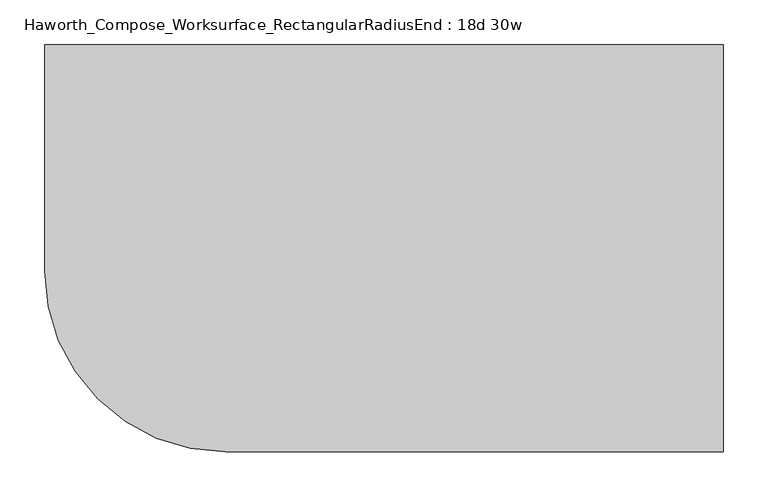
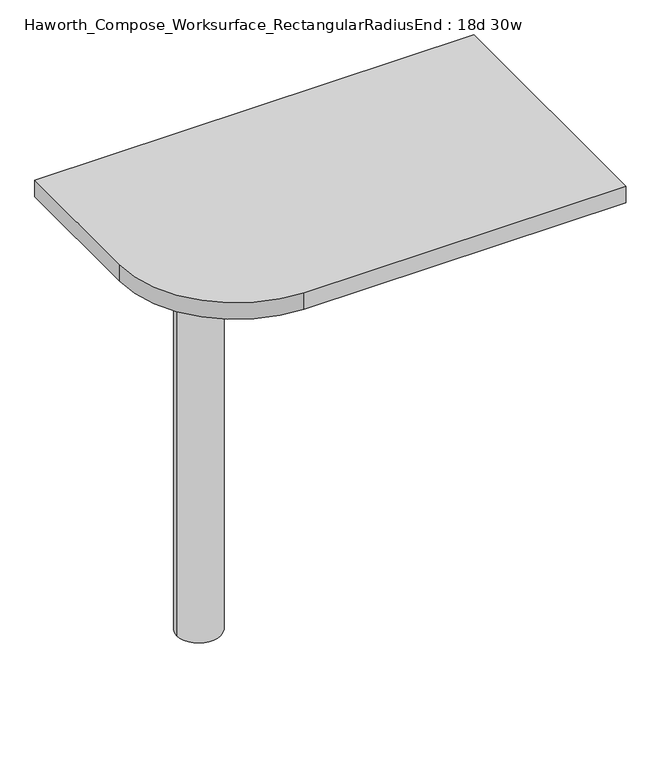
"""IFC4 building model written with IfcOpenShell, lengths in millimetres: furniture geometry, Haworth_Compose_Worksurface_RectangularRadiusEnd : 18d 30w."""

import ifcopenshell
import ifcopenshell.guid

model = None  # the IFC model being written
_history = None  # IfcOwnerHistory: only IFC2X3 demands one
_inside = {}  # id of a spatial element -> (the spatial element, [elements in it])
_under = {}  # id of a project, library or spatial element -> (it, [spatial elements below it])
_declared = {}  # id of a project -> (the project, [libraries it declares])
_typed = {}  # id of a type object -> (the type object, [elements of that type])
_made_of = {}  # id of a material, layer set ... -> (it, [elements and type objects made of it])


def new_model(schema):
    """Start an empty IFC model of exactly this schema.

    Asked for "IFC4X3", IfcOpenShell would pick the latest addendum, in which some entities
    have other attributes; the version numbers below select the first issue.
    IFC2X3 requires an IfcOwnerHistory on every rooted entity: one is made here for all.
    """
    global model, _history
    if schema == "IFC4X3":
        model = ifcopenshell.file(schema_version=(4, 3, 0, 0))
    else:
        model = ifcopenshell.file(schema=schema)
    _inside.clear()
    _under.clear()
    _declared.clear()
    _typed.clear()
    _made_of.clear()
    _history = None
    if model.schema == "IFC2X3":
        org = make("IfcOrganization", Name="unknown")
        user = make(
            "IfcPersonAndOrganization",
            ThePerson=make("IfcPerson", FamilyName="unknown"),
            TheOrganization=org,
        )
        app = make(
            "IfcApplication",
            ApplicationDeveloper=org,
            Version="unknown",
            ApplicationFullName="unknown",
            ApplicationIdentifier="unknown",
        )
        _history = make(
            "IfcOwnerHistory",
            OwningUser=user,
            OwningApplication=app,
            ChangeAction="ADDED",
            CreationDate=0,
        )
    return model


def make(cls, **values):
    """One entity of the class cls with the attributes given. An attribute that is None is left unset."""
    return model.create_entity(
        cls, **{name: value for name, value in values.items() if value is not None}
    )


def rooted(cls, **values):
    """An entity with a GlobalId (a new one), such as an element, a storey or a relation."""
    return make(cls, GlobalId=ifcopenshell.guid.new(), OwnerHistory=_history, **values)


def si_unit(unit_type, name, prefix=None):
    """IfcSIUnit, for example si_unit("LENGTHUNIT", "METRE", prefix="MILLI")."""
    return make("IfcSIUnit", UnitType=unit_type, Prefix=prefix, Name=name)


def assignment(units):
    """IfcUnitAssignment: the units of a project."""
    return None if units is None else make("IfcUnitAssignment", Units=units)


def point(xyz):
    """IfcCartesianPoint."""
    return None if xyz is None else make("IfcCartesianPoint", Coordinates=xyz)


def direction(xyz):
    """IfcDirection."""
    return None if xyz is None else make("IfcDirection", DirectionRatios=xyz)


def frame(location, z_axis=None, x_axis=None):
    """IfcAxis2Placement3D, a coordinate frame: its origin and axes. An axis left out is left unset."""
    return make(
        "IfcAxis2Placement3D",
        Location=point(location),
        Axis=direction(z_axis),
        RefDirection=direction(x_axis),
    )


def frame_2d(location, x_axis=None):
    """IfcAxis2Placement2D, a coordinate frame in the plane: its origin and x axis."""
    return make(
        "IfcAxis2Placement2D", Location=point(location), RefDirection=direction(x_axis)
    )


def origin():
    """The frame at (0, 0, 0) with its axes left unset."""
    return frame((0.0, 0.0, 0.0))


def place(relative_to, where):
    """IfcLocalPlacement: puts the frame where relative to a parent placement (None: the world)."""
    return make(
        "IfcLocalPlacement", PlacementRelTo=relative_to, RelativePlacement=where
    )


def context(
    kind, dimensions, precision=None, world=None, true_north=None, identifier=None
):
    """IfcGeometricRepresentationContext, for example the 3D "Model" context."""
    return make(
        "IfcGeometricRepresentationContext",
        ContextIdentifier=identifier,
        ContextType=kind,
        CoordinateSpaceDimension=dimensions,
        Precision=precision,
        WorldCoordinateSystem=world,
        TrueNorth=true_north,
    )


def project(units=None, contexts=None):
    """IfcProject with its units and contexts."""
    return rooted(
        "IfcProject",
        Name="project",
        RepresentationContexts=contexts,
        UnitsInContext=assignment(units),
    )


def spatial(cls, under=None, at=None, **own):
    """A site, building, storey or space (cls), placed at a placement, below another one or the project."""
    s = rooted(cls, ObjectPlacement=at, **own)
    if under is not None:
        _under.setdefault(under.id(), (under, []))[1].append(s)
    return s


def polyline(points):
    """IfcPolyline through the points."""
    return make("IfcPolyline", Points=[point(p) for p in points])


def circle_curve(where, radius):
    """IfcCircle in the frame where."""
    return make("IfcCircle", Position=where, Radius=radius)


def trimmed(basis, trim1, trim2, sense, master):
    """IfcTrimmedCurve: the piece of a basis curve between two trims."""
    return make(
        "IfcTrimmedCurve",
        BasisCurve=basis,
        Trim1=trim1,
        Trim2=trim2,
        SenseAgreement=sense,
        MasterRepresentation=master,
    )


def segment(curve, same_sense, transition):
    """IfcCompositeCurveSegment."""
    return make(
        "IfcCompositeCurveSegment",
        Transition=transition,
        SameSense=same_sense,
        ParentCurve=curve,
    )


def composite_curve(segments, self_intersect=None):
    """IfcCompositeCurve: segments joined end to end."""
    return make("IfcCompositeCurve", Segments=segments, SelfIntersect=self_intersect)


def outline(outer, holes=None, kind="AREA"):
    """IfcArbitraryClosedProfileDef: a profile drawn as a closed curve; with holes, ...WithVoids."""
    if holes is None:
        return make("IfcArbitraryClosedProfileDef", ProfileType=kind, OuterCurve=outer)
    return make(
        "IfcArbitraryProfileDefWithVoids",
        ProfileType=kind,
        OuterCurve=outer,
        InnerCurves=holes,
    )


def extrude(swept, where, along, depth):
    """IfcExtrudedAreaSolid: the profile swept, set in the frame where, extruded along a direction by depth."""
    return make(
        "IfcExtrudedAreaSolid",
        SweptArea=swept,
        Position=where,
        ExtrudedDirection=direction(along),
        Depth=depth,
    )


def shape(context_of_items, identifier, shape_type, items):
    """IfcShapeRepresentation: the items that make up one representation, for example the "Body"."""
    return make(
        "IfcShapeRepresentation",
        ContextOfItems=context_of_items,
        RepresentationIdentifier=identifier,
        RepresentationType=shape_type,
        Items=items,
    )


def source(mapping_origin, context_of_items, identifier, shape_type, items):
    """IfcRepresentationMap: a shape defined once, which mapped items show again and again."""
    return make(
        "IfcRepresentationMap",
        MappingOrigin=mapping_origin,
        MappedRepresentation=shape(context_of_items, identifier, shape_type, items),
    )


def transform(
    local_origin,
    x_axis=None,
    y_axis=None,
    z_axis=None,
    scale=None,
    scale2=None,
    scale3=None,
    uniform=True,
):
    """IfcCartesianTransformationOperator3D, or its non-uniform kind. x_axis, y_axis, z_axis: its Axis1, 2, 3."""
    if uniform:
        return make(
            "IfcCartesianTransformationOperator3D",
            Axis1=direction(x_axis),
            Axis2=direction(y_axis),
            LocalOrigin=point(local_origin),
            Scale=scale,
            Axis3=direction(z_axis),
        )
    return make(
        "IfcCartesianTransformationOperator3DnonUniform",
        Axis1=direction(x_axis),
        Axis2=direction(y_axis),
        LocalOrigin=point(local_origin),
        Scale=scale,
        Axis3=direction(z_axis),
        Scale2=scale2,
        Scale3=scale3,
    )


def mapped(mapping_source, mapping_target):
    """IfcMappedItem: shows the shape of a source again, moved by a transform."""
    return make(
        "IfcMappedItem", MappingSource=mapping_source, MappingTarget=mapping_target
    )


def made_of(thing, what):
    """Note that an element or type object is made of a material, layer set ...; save() writes the relation."""
    if what is not None:
        _made_of.setdefault(what.id(), (what, []))[1].append(thing)
    return thing


def element(
    cls,
    number,
    at=None,
    inside=None,
    cuts=None,
    type_object=None,
    material=None,
    context=None,
    identifier="Body",
    shape_type=None,
    held_by="IfcProductDefinitionShape",
    body=None,
    shapes=None,
    **own,
):
    """One element of the class cls, such as IfcWall. Its Tag is "e" and its number.

    at: its placement. inside: the storey or other place that contains it. cuts: it is an
    opening in that element (IfcRelVoidsElement). A single representation is given by context,
    identifier, shape_type and body (its items); several are given by shapes. held_by: the class
    of the entity that holds the representations. save() writes the other relations.
    """
    e = rooted(cls, Tag="e%d" % number, ObjectPlacement=at, **own)
    if body is not None:
        shapes = [shape(context, identifier, shape_type, body)]
    if shapes is not None:
        e.Representation = make(held_by, Representations=shapes)
    if inside is not None:
        _inside.setdefault(inside.id(), (inside, []))[1].append(e)
    if cuts is not None:
        rooted(
            "IfcRelVoidsElement", RelatingBuildingElement=cuts, RelatedOpeningElement=e
        )
    if type_object is not None:
        _typed.setdefault(type_object.id(), (type_object, []))[1].append(e)
    return made_of(e, material)


def aggregate(whole, parts):
    """IfcRelAggregates: a whole, such as a stair, and the parts it consists of."""
    return rooted("IfcRelAggregates", RelatingObject=whole, RelatedObjects=parts)


def save(model, path):
    """Write the relations noted so far, then the file.

    IfcRelAggregates (storeys below a building ...), IfcRelContainedInSpatialStructure (elements
    in a storey), IfcRelDefinesByType, IfcRelAssociatesMaterial and IfcRelDeclares: one each for
    every whole, place, type object, material and project.
    """
    for whole, parts in _under.values():
        aggregate(whole, parts)
    for where, things in _inside.values():
        rooted(
            "IfcRelContainedInSpatialStructure",
            RelatedElements=things,
            RelatingStructure=where,
        )
    for kind, things in _typed.values():
        rooted("IfcRelDefinesByType", RelatedObjects=things, RelatingType=kind)
    for what, things in _made_of.values():
        rooted("IfcRelAssociatesMaterial", RelatedObjects=things, RelatingMaterial=what)
    for by, libraries in _declared.values():
        rooted("IfcRelDeclares", RelatingContext=by, RelatedDefinitions=libraries)
    model.write(path)


def plane_surface(at):
    """IfcPlane: the flat surface through the origin of the frame at, square to its z axis."""
    return make("IfcPlane", Position=at)


def cylinder_surface(at, radius):
    """IfcCylindricalSurface: all points at the distance radius from the z axis of the frame at."""
    return make("IfcCylindricalSurface", Position=at, Radius=radius)


def revolved_surface(curve, axis_point, axis_direction):
    """IfcSurfaceOfRevolution: the curve turned about the line through axis_point along axis_direction."""
    return make(
        "IfcSurfaceOfRevolution",
        SweptCurve=make("IfcArbitraryOpenProfileDef", ProfileType="CURVE", Curve=curve),
        AxisPosition=make("IfcAxis1Placement", Location=point(axis_point), Axis=direction(axis_direction)),
    )


def advanced_brep(points, edges, surfaces, faces):
    """IfcAdvancedBrep: a solid bounded by faces that lie on surfaces and meet in shared edges.

    An edge is (start, end): straight between two places in points (the first is 0);
    or (start, end, curve); or (start, end, curve, False) where it runs against its curve.
    A face is (place in surfaces, loops), or (place, loops, False) where it looks against
    its surface's normal. A loop lists edges by number (the first is 1), with a minus sign
    where the edge is run from its end to its start. The first loop is the outer one.
    """
    corners = [point(p) for p in points]
    vertices = [make("IfcVertexPoint", VertexGeometry=c) for c in corners]
    made = []
    for start, end, *more in edges:
        made.append(
            make(
                "IfcEdgeCurve",
                EdgeStart=vertices[start],
                EdgeEnd=vertices[end],
                EdgeGeometry=more[0] if more else make("IfcPolyline", Points=[corners[start], corners[end]]),
                SameSense=more[1] if len(more) > 1 else True,
            )
        )
    hull = []
    for where, loops, *sense in faces:
        bounds = []
        for j, loop in enumerate(loops):
            ring = [make("IfcOrientedEdge", EdgeElement=made[abs(k) - 1], Orientation=k > 0) for k in loop]
            bounds.append(
                make(
                    "IfcFaceOuterBound" if j == 0 else "IfcFaceBound",
                    Bound=make("IfcEdgeLoop", EdgeList=ring),
                    Orientation=True,
                )
            )
        hull.append(make("IfcAdvancedFace", Bounds=bounds, FaceSurface=surfaces[where], SameSense=sense[0] if sense else True))
    return make("IfcAdvancedBrep", Outer=make("IfcClosedShell", CfsFaces=hull))


def haworth_compose_worksurface_rectangularradiusend_18d_30w_f2bbd292(model_context):
    return source(origin(), model_context, "Body", "SolidModel", [
        advanced_brep(
        [(375.44375, 228.6, 475.45625), (375.44375, 212.725, 475.45625), (375.44375, -177.8, 691.7192568), (375.44375, -177.8, 704.05625), (375.44375, 212.725, 704.05625), (375.44375, 228.6, 704.05625), (375.44375, 145.290072, 665.95625), (375.44375, 101.6355284, 665.95625), (375.44375, 98.9564235, 656.3705539), (375.44375, 190.6776173, 605.5776439), (375.44375, 200.025, 611.1756969), (375.44375, 200.025, 634.6860246), (375.44375, 198.2730055, 637.5242776), (375.44375, 148.3663437, 665.1613425), (377.825, 228.6, 475.45625), (377.825, 228.6, 704.05625), (377.825, 212.725, 704.05625), (377.825, 212.725, 706.4375), (377.825, -177.8, 706.4375), (377.825, -177.8, 691.7192568), (377.825, 212.725, 475.45625), (377.825, 145.290072, 665.95625), (377.825, 148.3663437, 665.1613425), (377.825, 198.2730055, 637.5242776), (377.825, 200.025, 634.6860246), (377.825, 200.025, 611.1756969), (377.825, 190.6776173, 605.5776439), (377.825, 98.9564235, 656.3705539), (377.825, 101.6355284, 665.95625), (336.55, -177.8, 706.4375), (336.55, -177.8, 704.05625), (336.55, 212.725, 704.05625), (336.55, 212.725, 706.4375)],
        [
            (0, 1),
            (1, 2),
            (2, 3),
            (3, 4),
            (4, 5),
            (5, 0),
            (6, 7),
            (7, 8, circle_curve(frame((375.44375, 101.6355284, 660.7890106), z_axis=(1.0, 0.0, 0.0), x_axis=(0.0, -1.0, 0.0)), 5.1672394)),
            (8, 9),
            (9, 10, circle_curve(frame((375.44375, 193.675, 611.1756969), z_axis=(1.0, 0.0, 0.0), x_axis=(0.0, -1.0, 0.0)), 6.35)),
            (10, 11),
            (11, 12, circle_curve(frame((375.44375, 196.85, 634.6860246), z_axis=(1.0, 0.0, 0.0), x_axis=(0.0, -1.0, 0.0)), 3.175)),
            (12, 13),
            (13, 6, circle_curve(frame((375.44375, 145.290072, 659.60625), z_axis=(1.0, 0.0, 0.0), x_axis=(0.0, -1.0, 0.0)), 6.35)),
            (14, 15),
            (15, 16),
            (16, 17),
            (17, 18),
            (18, 19),
            (19, 20),
            (20, 14),
            (21, 22, circle_curve(frame((377.825, 145.290072, 659.60625), z_axis=(-1.0, 0.0, 0.0), x_axis=(0.0, -1.0, 0.0)), 6.35)),
            (22, 23),
            (23, 24, circle_curve(frame((377.825, 196.85, 634.6860246), z_axis=(-1.0, 0.0, 0.0), x_axis=(0.0, -1.0, 0.0)), 3.175)),
            (24, 25),
            (25, 26, circle_curve(frame((377.825, 193.675, 611.1756969), z_axis=(-1.0, 0.0, 0.0), x_axis=(0.0, -1.0, 0.0)), 6.35)),
            (26, 27),
            (27, 28, circle_curve(frame((377.825, 101.6355284, 660.7890106), z_axis=(-1.0, 0.0, 0.0), x_axis=(0.0, -1.0, 0.0)), 5.1672394)),
            (28, 21),
            (4, 16),
            (15, 5),
            (14, 0),
            (20, 1),
            (19, 2),
            (18, 29),
            (29, 30),
            (30, 3),
            (6, 21),
            (28, 7),
            (9, 26),
            (25, 10),
            (24, 11),
            (23, 12),
            (27, 8),
            (31, 4),
            (30, 31),
            (32, 29),
            (17, 32),
            (31, 32),
            (22, 13),
        ],
        [
            plane_surface(frame((375.44375, 228.6, 475.45625), z_axis=(-1.0, 0.0, 0.0), x_axis=(0.0, 1.0, 0.0))),
            plane_surface(frame((377.825, 228.6, 475.45625), z_axis=(1.0, 0.0, 0.0), x_axis=(0.0, -1.0, 0.0))),
            plane_surface(frame((377.825, -177.8, 704.05625), z_axis=(0.0, 0.0, 1.0), x_axis=(-1.0, 0.0, 0.0))),
            plane_surface(frame((377.825, 228.6, 704.05625), z_axis=(0.0, 1.0, 0.0), x_axis=(-1.0, 0.0, 0.0))),
            plane_surface(frame((377.825, 228.6, 475.45625), z_axis=(0.0, 0.0, -1.0), x_axis=(-1.0, 0.0, 0.0))),
            plane_surface(frame((377.825, 212.725, 475.45625), z_axis=(0.0, -0.48445223513455843, -0.8748177135112952), x_axis=(-1.0, 0.0, 0.0))),
            plane_surface(frame((377.825, -177.8, 691.7192568), z_axis=(0.0, -1.0, 0.0), x_axis=(-1.0, 0.0, 0.0))),
            plane_surface(frame((377.825, 145.290072, 665.95625), z_axis=(0.0, 0.0, -1.0), x_axis=(-1.0, 0.0, 0.0))),
            revolved_surface(polyline([(375.44375, 187.32500000000002, 611.1756969), (377.825, 187.32500000000002, 611.1756969)]), (377.825, 193.675, 611.1756969), (-1.0, 0.0, 0.0)),
            plane_surface(frame((377.825, 200.025, 611.1756969), z_axis=(0.0, -1.0, 0.0), x_axis=(-1.0, 0.0, 0.0))),
            revolved_surface(polyline([(375.44375, 193.67499999999998, 634.6860246), (377.825, 193.67499999999998, 634.6860246)]), (377.825, 196.85, 634.6860246), (-1.0, 0.0, 0.0)),
            revolved_surface(polyline([(375.44375, 96.468289, 660.7890106), (377.825, 96.468289, 660.7890106)]), (377.825, 101.6355284, 660.7890106), (-1.0, 0.0, 0.0)),
            plane_surface(frame((377.825, 212.725, 704.05625), z_axis=(0.0, 0.0, -1.0), x_axis=(-1.0, 0.0, 0.0))),
            plane_surface(frame((377.825, 212.725, 706.4375), z_axis=(0.0, 0.0, 1.0), x_axis=(1.0, 0.0, 0.0))),
            plane_surface(frame((336.55, 212.725, 706.4375), z_axis=(0.0, 1.0, 0.0), x_axis=(0.0, 0.0, -1.0))),
            plane_surface(frame((336.55, -177.8, 706.4375), z_axis=(-1.0, 0.0, 0.0), x_axis=(0.0, 0.0, -1.0))),
            plane_surface(frame((377.825, 98.9564235, 656.3705539), z_axis=(0.0, 0.4844522351345583, 0.8748177135112953), x_axis=(-1.0, 0.0, 0.0))),
            plane_surface(frame((377.825, 198.2730055, 637.5242776), z_axis=(0.0, -0.4844522351345582, -0.8748177135112953), x_axis=(-1.0, 0.0, 0.0))),
            revolved_surface(polyline([(375.44375, 138.94007200000001, 659.60625), (377.825, 138.94007200000001, 659.60625)]), (377.825, 145.290072, 659.60625), (-1.0, 0.0, 0.0)),
        ],
        [
            (0, [[1, 2, 3, 4, 5, 6], [7, 8, 9, 10, 11, 12, 13, 14]]),
            (1, [[15, 16, 17, 18, 19, 20, 21], [22, 23, 24, 25, 26, 27, 28, 29]]),
            (2, [[-5, 30, -16, 31]]),
            (3, [[-31, -15, 32, -6]]),
            (4, [[-32, -21, 33, -1]]),
            (5, [[-33, -20, 34, -2]]),
            (6, [[-34, -19, 35, 36, 37, -3]]),
            (7, [[38, -29, 39, -7]]),
            (8, [[40, -26, 41, -10]]),
            (9, [[-41, -25, 42, -11]]),
            (10, [[-42, -24, 43, -12]]),
            (11, [[-39, -28, 44, -8]]),
            (12, [[45, -4, -37, 46]]),
            (13, [[47, -35, -18, 48]]),
            (14, [[-17, -30, -45, 49, -48]]),
            (15, [[-36, -47, -49, -46]]),
            (16, [[-44, -27, -40, -9]]),
            (17, [[-43, -23, 50, -13]]),
            (18, [[-50, -22, -38, -14]]),
        ],
    ),
        advanced_brep(
        [(-190.5, 0.0, 706.4375), (-266.7, 0.0, 706.4375), (-228.6, 0.0, 706.4375), (-190.5, 0.0, 0.0), (-266.7, 0.0, 0.0), (-228.6, 0.0, 0.0)],
        [
            (0, 1, circle_curve(frame((-228.6, 0.0, 706.4375), z_axis=(0.0, 0.0, 1.0), x_axis=(-1.0, 0.0, 0.0)), 38.1)),
            (1, 2),
            (2, 0),
            (1, 0, circle_curve(frame((-228.6, 0.0, 706.4375), z_axis=(0.0, 0.0, 1.0), x_axis=(-1.0, 0.0, 0.0)), 38.1)),
            (3, 4, circle_curve(frame((-228.6, 0.0, 0.0), z_axis=(0.0, 0.0, 1.0), x_axis=(-1.0, 0.0, 0.0)), 38.1)),
            (4, 1),
            (0, 3),
            (4, 3, circle_curve(frame((-228.6, 0.0, 0.0), z_axis=(0.0, 0.0, 1.0), x_axis=(-1.0, 0.0, 0.0)), 38.1)),
            (5, 4),
            (3, 5),
        ],
        [
            plane_surface(frame((-228.6, 0.0, 706.4375), z_axis=(0.0, 0.0, 1.0), x_axis=(-1.0, 0.0, 0.0))),
            cylinder_surface(frame((-228.6, 0.0, 889.623257), z_axis=(0.0, 0.0, -1.0), x_axis=(-1.0, 0.0, 0.0)), 38.1),
            plane_surface(frame((-228.6, 0.0, 0.0), z_axis=(0.0, 0.0, -1.0), x_axis=(-1.0, 0.0, 0.0))),
        ],
        [
            (0, [[1, 2, 3]]),
            (0, [[4, -3, -2]]),
            (1, [[5, 6, -1, 7]]),
            (1, [[8, -7, -4, -6]]),
            (2, [[9, -5, 10]]),
            (2, [[-10, -8, -9]]),
        ],
    ),
        extrude(outline(composite_curve([segment(polyline([(381.0, 228.6), (381.0, -228.6), (-177.8, -228.6)]), True, "CONTINUOUS"), segment(trimmed(circle_curve(frame_2d((-177.8, -25.4)), 203.2), [point((-177.8, -228.6))], [point((-381.0, -25.4))], False, "CARTESIAN"), True, "CONTINUOUS"), segment(polyline([(-381.0, -25.4), (-381.0, 228.6), (381.0, 228.6)]), True, "CONTINUOUS")], self_intersect=False)), frame((0.0, 0.0, 706.4375), z_axis=(0.0, 0.0, 1.0), x_axis=(1.0, 0.0, 0.0)), (0.0, 0.0, 1.0), 30.1625),
    ])


if __name__ == "__main__":
    model = new_model("IFC4")
    model_context = context("Model", 3, world=origin())
    ifc_project = project(units=[si_unit("LENGTHUNIT", "METRE", prefix="MILLI")], contexts=[model_context])
    site = spatial("IfcSite", under=ifc_project)
    building = spatial("IfcBuilding", under=site)
    placement = place(None, origin())
    haworth_compose_worksurface_rectangularradiusend_18d_30w_shape = haworth_compose_worksurface_rectangularradiusend_18d_30w_f2bbd292(model_context)
    element("IfcFurniture", 1, ObjectType="Haworth_Compose_Worksurface_RectangularRadiusEnd : 18d 30w", at=placement, inside=building, context=model_context, shape_type="MappedRepresentation", body=[
        mapped(haworth_compose_worksurface_rectangularradiusend_18d_30w_shape, transform((0.0, 0.0, 0.0), x_axis=(1.0, 0.0, 0.0), y_axis=(0.0, 1.0, 0.0), z_axis=(0.0, 0.0, 1.0))),
    ])
    save(model, "model.ifc")
